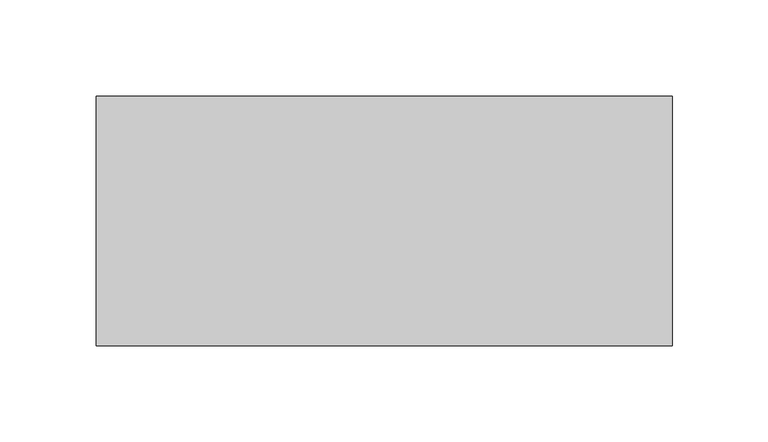
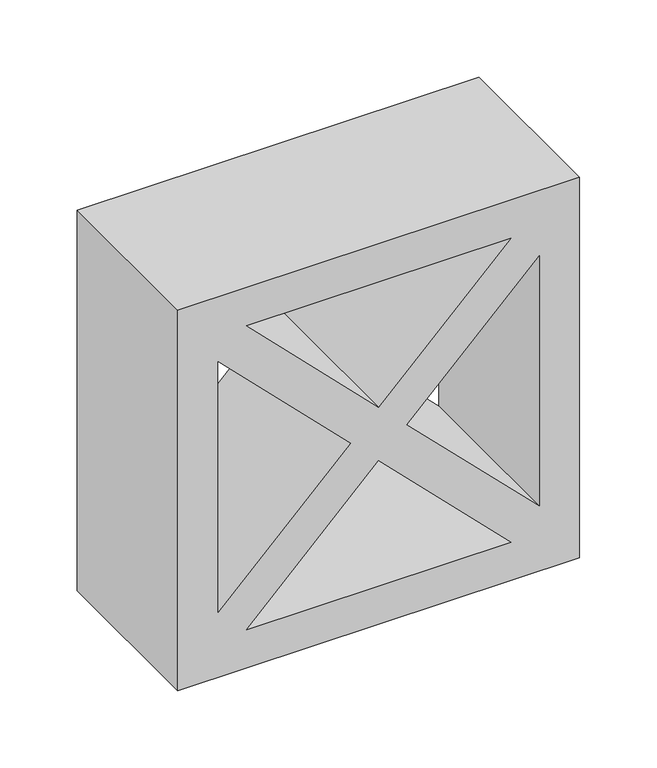
"""IFC4 building model written with IfcOpenShell, lengths in millimetres: plate geometry."""

from ifc_helpers import new_model, si_unit, frame, origin, place, context, project, spatial, polyline, outline, extrude, source, transform, mapped, element, save


def plate_49bfd867(model_context):
    return source(origin(), model_context, "Body", "SweptSolid", [
        extrude(outline(polyline([(300.0, 150.0), (300.0, -150.0), (0.0, -150.0), (0.0, 150.0), (300.0, 150.0)]), holes=[polyline([(270.0, 98.7867966), (171.2132034, 0.0), (270.0, -98.7867966), (270.0, 98.7867966)]), polyline([(150.0, -21.2132034), (51.2132034, -120.0), (248.7867966, -120.0), (150.0, -21.2132034)]), polyline([(128.7867966, 0.0), (30.0, 98.7867966), (30.0, -98.7867966), (128.7867966, 0.0)]), polyline([(150.0, 21.2132034), (248.7867966, 120.0), (51.2132034, 120.0), (150.0, 21.2132034)])]), frame((0.0, -130.0, 0.0), z_axis=(0.0, 1.0, 0.0), x_axis=(0.0, 0.0, 1.0)), (0.0, 0.0, 1.0), 130.0),
    ])


if __name__ == "__main__":
    model = new_model("IFC4")
    model_context = context("Model", 3, world=origin())
    ifc_project = project(units=[si_unit("LENGTHUNIT", "METRE", prefix="MILLI")], contexts=[model_context])
    site = spatial("IfcSite", under=ifc_project)
    building = spatial("IfcBuilding", under=site)
    placement = place(None, origin())
    plate_shape = plate_49bfd867(model_context)
    element("IfcPlate", 1, at=placement, inside=building, context=model_context, shape_type="MappedRepresentation", body=[
        mapped(plate_shape, transform((0.0, 0.0, 0.0), x_axis=(1.0, 0.0, 0.0), y_axis=(0.0, 1.0, 0.0), z_axis=(0.0, 0.0, 1.0))),
    ])
    save(model, "model.ifc")
